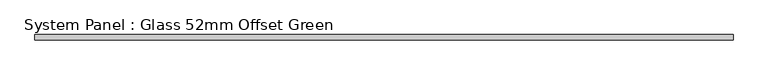
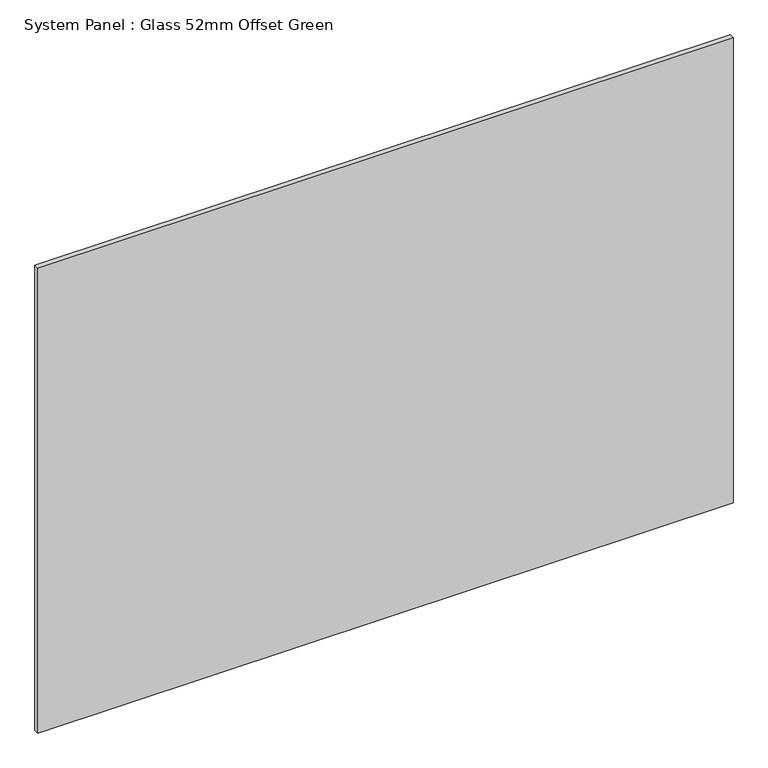
"""IFC4 building model written with IfcOpenShell, lengths in millimetres: plate geometry, System Panel : Glass 52mm Offset Green."""

import ifcopenshell
import ifcopenshell.guid

model = None  # the IFC model being written
_history = None  # IfcOwnerHistory: only IFC2X3 demands one
_inside = {}  # id of a spatial element -> (the spatial element, [elements in it])
_under = {}  # id of a project, library or spatial element -> (it, [spatial elements below it])
_declared = {}  # id of a project -> (the project, [libraries it declares])
_typed = {}  # id of a type object -> (the type object, [elements of that type])
_made_of = {}  # id of a material, layer set ... -> (it, [elements and type objects made of it])


def new_model(schema):
    """Start an empty IFC model of exactly this schema.

    Asked for "IFC4X3", IfcOpenShell would pick the latest addendum, in which some entities
    have other attributes; the version numbers below select the first issue.
    IFC2X3 requires an IfcOwnerHistory on every rooted entity: one is made here for all.
    """
    global model, _history
    if schema == "IFC4X3":
        model = ifcopenshell.file(schema_version=(4, 3, 0, 0))
    else:
        model = ifcopenshell.file(schema=schema)
    _inside.clear()
    _under.clear()
    _declared.clear()
    _typed.clear()
    _made_of.clear()
    _history = None
    if model.schema == "IFC2X3":
        org = make("IfcOrganization", Name="unknown")
        user = make(
            "IfcPersonAndOrganization",
            ThePerson=make("IfcPerson", FamilyName="unknown"),
            TheOrganization=org,
        )
        app = make(
            "IfcApplication",
            ApplicationDeveloper=org,
            Version="unknown",
            ApplicationFullName="unknown",
            ApplicationIdentifier="unknown",
        )
        _history = make(
            "IfcOwnerHistory",
            OwningUser=user,
            OwningApplication=app,
            ChangeAction="ADDED",
            CreationDate=0,
        )
    return model


def make(cls, **values):
    """One entity of the class cls with the attributes given. An attribute that is None is left unset."""
    return model.create_entity(
        cls, **{name: value for name, value in values.items() if value is not None}
    )


def rooted(cls, **values):
    """An entity with a GlobalId (a new one), such as an element, a storey or a relation."""
    return make(cls, GlobalId=ifcopenshell.guid.new(), OwnerHistory=_history, **values)


def si_unit(unit_type, name, prefix=None):
    """IfcSIUnit, for example si_unit("LENGTHUNIT", "METRE", prefix="MILLI")."""
    return make("IfcSIUnit", UnitType=unit_type, Prefix=prefix, Name=name)


def assignment(units):
    """IfcUnitAssignment: the units of a project."""
    return None if units is None else make("IfcUnitAssignment", Units=units)


def point(xyz):
    """IfcCartesianPoint."""
    return None if xyz is None else make("IfcCartesianPoint", Coordinates=xyz)


def direction(xyz):
    """IfcDirection."""
    return None if xyz is None else make("IfcDirection", DirectionRatios=xyz)


def frame(location, z_axis=None, x_axis=None):
    """IfcAxis2Placement3D, a coordinate frame: its origin and axes. An axis left out is left unset."""
    return make(
        "IfcAxis2Placement3D",
        Location=point(location),
        Axis=direction(z_axis),
        RefDirection=direction(x_axis),
    )


def origin():
    """The frame at (0, 0, 0) with its axes left unset."""
    return frame((0.0, 0.0, 0.0))


def origin_with_axes():
    """The frame at (0, 0, 0) with the z axis (0, 0, 1) and the x axis (1, 0, 0) written out."""
    return frame((0.0, 0.0, 0.0), z_axis=(0.0, 0.0, 1.0), x_axis=(1.0, 0.0, 0.0))


def place(relative_to, where):
    """IfcLocalPlacement: puts the frame where relative to a parent placement (None: the world)."""
    return make(
        "IfcLocalPlacement", PlacementRelTo=relative_to, RelativePlacement=where
    )


def context(
    kind, dimensions, precision=None, world=None, true_north=None, identifier=None
):
    """IfcGeometricRepresentationContext, for example the 3D "Model" context."""
    return make(
        "IfcGeometricRepresentationContext",
        ContextIdentifier=identifier,
        ContextType=kind,
        CoordinateSpaceDimension=dimensions,
        Precision=precision,
        WorldCoordinateSystem=world,
        TrueNorth=true_north,
    )


def project(units=None, contexts=None):
    """IfcProject with its units and contexts."""
    return rooted(
        "IfcProject",
        Name="project",
        RepresentationContexts=contexts,
        UnitsInContext=assignment(units),
    )


def spatial(cls, under=None, at=None, **own):
    """A site, building, storey or space (cls), placed at a placement, below another one or the project."""
    s = rooted(cls, ObjectPlacement=at, **own)
    if under is not None:
        _under.setdefault(under.id(), (under, []))[1].append(s)
    return s


def polyline(points):
    """IfcPolyline through the points."""
    return make("IfcPolyline", Points=[point(p) for p in points])


def outline(outer, holes=None, kind="AREA"):
    """IfcArbitraryClosedProfileDef: a profile drawn as a closed curve; with holes, ...WithVoids."""
    if holes is None:
        return make("IfcArbitraryClosedProfileDef", ProfileType=kind, OuterCurve=outer)
    return make(
        "IfcArbitraryProfileDefWithVoids",
        ProfileType=kind,
        OuterCurve=outer,
        InnerCurves=holes,
    )


def extrude(swept, where, along, depth):
    """IfcExtrudedAreaSolid: the profile swept, set in the frame where, extruded along a direction by depth."""
    return make(
        "IfcExtrudedAreaSolid",
        SweptArea=swept,
        Position=where,
        ExtrudedDirection=direction(along),
        Depth=depth,
    )


def shape(context_of_items, identifier, shape_type, items):
    """IfcShapeRepresentation: the items that make up one representation, for example the "Body"."""
    return make(
        "IfcShapeRepresentation",
        ContextOfItems=context_of_items,
        RepresentationIdentifier=identifier,
        RepresentationType=shape_type,
        Items=items,
    )


def source(mapping_origin, context_of_items, identifier, shape_type, items):
    """IfcRepresentationMap: a shape defined once, which mapped items show again and again."""
    return make(
        "IfcRepresentationMap",
        MappingOrigin=mapping_origin,
        MappedRepresentation=shape(context_of_items, identifier, shape_type, items),
    )


def transform(
    local_origin,
    x_axis=None,
    y_axis=None,
    z_axis=None,
    scale=None,
    scale2=None,
    scale3=None,
    uniform=True,
):
    """IfcCartesianTransformationOperator3D, or its non-uniform kind. x_axis, y_axis, z_axis: its Axis1, 2, 3."""
    if uniform:
        return make(
            "IfcCartesianTransformationOperator3D",
            Axis1=direction(x_axis),
            Axis2=direction(y_axis),
            LocalOrigin=point(local_origin),
            Scale=scale,
            Axis3=direction(z_axis),
        )
    return make(
        "IfcCartesianTransformationOperator3DnonUniform",
        Axis1=direction(x_axis),
        Axis2=direction(y_axis),
        LocalOrigin=point(local_origin),
        Scale=scale,
        Axis3=direction(z_axis),
        Scale2=scale2,
        Scale3=scale3,
    )


def mapped(mapping_source, mapping_target):
    """IfcMappedItem: shows the shape of a source again, moved by a transform."""
    return make(
        "IfcMappedItem", MappingSource=mapping_source, MappingTarget=mapping_target
    )


def made_of(thing, what):
    """Note that an element or type object is made of a material, layer set ...; save() writes the relation."""
    if what is not None:
        _made_of.setdefault(what.id(), (what, []))[1].append(thing)
    return thing


def element(
    cls,
    number,
    at=None,
    inside=None,
    cuts=None,
    type_object=None,
    material=None,
    context=None,
    identifier="Body",
    shape_type=None,
    held_by="IfcProductDefinitionShape",
    body=None,
    shapes=None,
    **own,
):
    """One element of the class cls, such as IfcWall. Its Tag is "e" and its number.

    at: its placement. inside: the storey or other place that contains it. cuts: it is an
    opening in that element (IfcRelVoidsElement). A single representation is given by context,
    identifier, shape_type and body (its items); several are given by shapes. held_by: the class
    of the entity that holds the representations. save() writes the other relations.
    """
    e = rooted(cls, Tag="e%d" % number, ObjectPlacement=at, **own)
    if body is not None:
        shapes = [shape(context, identifier, shape_type, body)]
    if shapes is not None:
        e.Representation = make(held_by, Representations=shapes)
    if inside is not None:
        _inside.setdefault(inside.id(), (inside, []))[1].append(e)
    if cuts is not None:
        rooted(
            "IfcRelVoidsElement", RelatingBuildingElement=cuts, RelatedOpeningElement=e
        )
    if type_object is not None:
        _typed.setdefault(type_object.id(), (type_object, []))[1].append(e)
    return made_of(e, material)


def aggregate(whole, parts):
    """IfcRelAggregates: a whole, such as a stair, and the parts it consists of."""
    return rooted("IfcRelAggregates", RelatingObject=whole, RelatedObjects=parts)


def save(model, path):
    """Write the relations noted so far, then the file.

    IfcRelAggregates (storeys below a building ...), IfcRelContainedInSpatialStructure (elements
    in a storey), IfcRelDefinesByType, IfcRelAssociatesMaterial and IfcRelDeclares: one each for
    every whole, place, type object, material and project.
    """
    for whole, parts in _under.values():
        aggregate(whole, parts)
    for where, things in _inside.values():
        rooted(
            "IfcRelContainedInSpatialStructure",
            RelatedElements=things,
            RelatingStructure=where,
        )
    for kind, things in _typed.values():
        rooted("IfcRelDefinesByType", RelatedObjects=things, RelatingType=kind)
    for what, things in _made_of.values():
        rooted("IfcRelAssociatesMaterial", RelatedObjects=things, RelatingMaterial=what)
    for by, libraries in _declared.values():
        rooted("IfcRelDeclares", RelatingContext=by, RelatedDefinitions=libraries)
    model.write(path)


def system_panel_glass_52mm_offset_green_6a0ecfad(model_context):
    return source(origin(), model_context, "Body", "SweptSolid", [
        extrude(outline(polyline([(651.5629343, -57.0), (-651.5629343, -57.0), (-651.5629343, -47.0), (651.5629343, -47.0), (651.5629343, -57.0)])), origin_with_axes(), (0.0, 0.0, 1.0), 921.5045338),
    ])


if __name__ == "__main__":
    model = new_model("IFC4")
    model_context = context("Model", 3, world=origin())
    ifc_project = project(units=[si_unit("LENGTHUNIT", "METRE", prefix="MILLI")], contexts=[model_context])
    site = spatial("IfcSite", under=ifc_project)
    building = spatial("IfcBuilding", under=site)
    placement = place(None, origin())
    system_panel_glass_52mm_offset_green_shape = system_panel_glass_52mm_offset_green_6a0ecfad(model_context)
    element("IfcPlate", 1, ObjectType="System Panel : Glass 52mm Offset Green", at=placement, inside=building, context=model_context, shape_type="MappedRepresentation", body=[
        mapped(system_panel_glass_52mm_offset_green_shape, transform((0.0, 0.0, 0.0), x_axis=(1.0, 0.0, 0.0), y_axis=(0.0, 1.0, 0.0), z_axis=(0.0, 0.0, 1.0))),
    ])
    save(model, "model.ifc")
